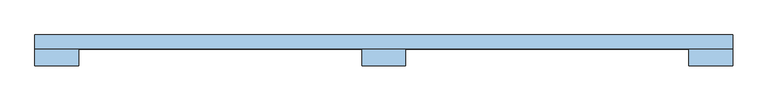
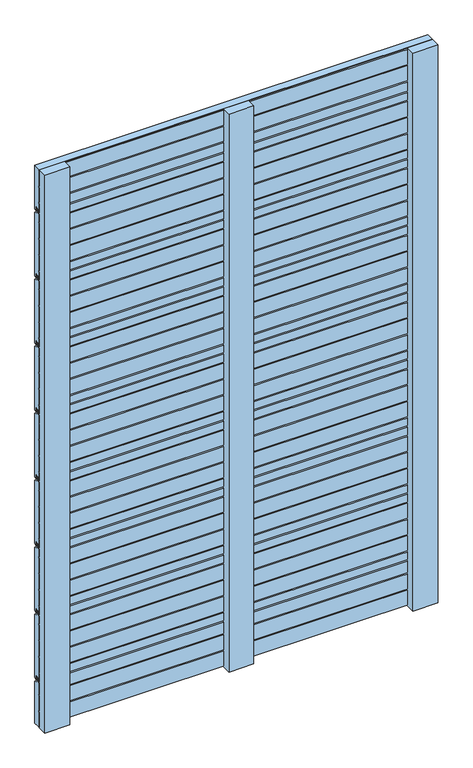
"""IFC4 building model written with IfcOpenShell, lengths in millimetres: window geometry."""

import ifcopenshell
import ifcopenshell.guid

model = None  # the IFC model being written
_history = None  # IfcOwnerHistory: only IFC2X3 demands one
_inside = {}  # id of a spatial element -> (the spatial element, [elements in it])
_under = {}  # id of a project, library or spatial element -> (it, [spatial elements below it])
_declared = {}  # id of a project -> (the project, [libraries it declares])
_typed = {}  # id of a type object -> (the type object, [elements of that type])
_made_of = {}  # id of a material, layer set ... -> (it, [elements and type objects made of it])


def new_model(schema):
    """Start an empty IFC model of exactly this schema.

    Asked for "IFC4X3", IfcOpenShell would pick the latest addendum, in which some entities
    have other attributes; the version numbers below select the first issue.
    IFC2X3 requires an IfcOwnerHistory on every rooted entity: one is made here for all.
    """
    global model, _history
    if schema == "IFC4X3":
        model = ifcopenshell.file(schema_version=(4, 3, 0, 0))
    else:
        model = ifcopenshell.file(schema=schema)
    _inside.clear()
    _under.clear()
    _declared.clear()
    _typed.clear()
    _made_of.clear()
    _history = None
    if model.schema == "IFC2X3":
        org = make("IfcOrganization", Name="unknown")
        user = make(
            "IfcPersonAndOrganization",
            ThePerson=make("IfcPerson", FamilyName="unknown"),
            TheOrganization=org,
        )
        app = make(
            "IfcApplication",
            ApplicationDeveloper=org,
            Version="unknown",
            ApplicationFullName="unknown",
            ApplicationIdentifier="unknown",
        )
        _history = make(
            "IfcOwnerHistory",
            OwningUser=user,
            OwningApplication=app,
            ChangeAction="ADDED",
            CreationDate=0,
        )
    return model


def make(cls, **values):
    """One entity of the class cls with the attributes given. An attribute that is None is left unset."""
    return model.create_entity(
        cls, **{name: value for name, value in values.items() if value is not None}
    )


def rooted(cls, **values):
    """An entity with a GlobalId (a new one), such as an element, a storey or a relation."""
    return make(cls, GlobalId=ifcopenshell.guid.new(), OwnerHistory=_history, **values)


def si_unit(unit_type, name, prefix=None):
    """IfcSIUnit, for example si_unit("LENGTHUNIT", "METRE", prefix="MILLI")."""
    return make("IfcSIUnit", UnitType=unit_type, Prefix=prefix, Name=name)


def assignment(units):
    """IfcUnitAssignment: the units of a project."""
    return None if units is None else make("IfcUnitAssignment", Units=units)


def point(xyz):
    """IfcCartesianPoint."""
    return None if xyz is None else make("IfcCartesianPoint", Coordinates=xyz)


def direction(xyz):
    """IfcDirection."""
    return None if xyz is None else make("IfcDirection", DirectionRatios=xyz)


def frame(location, z_axis=None, x_axis=None):
    """IfcAxis2Placement3D, a coordinate frame: its origin and axes. An axis left out is left unset."""
    return make(
        "IfcAxis2Placement3D",
        Location=point(location),
        Axis=direction(z_axis),
        RefDirection=direction(x_axis),
    )


def origin():
    """The frame at (0, 0, 0) with its axes left unset."""
    return frame((0.0, 0.0, 0.0))


def place(relative_to, where):
    """IfcLocalPlacement: puts the frame where relative to a parent placement (None: the world)."""
    return make(
        "IfcLocalPlacement", PlacementRelTo=relative_to, RelativePlacement=where
    )


def context(
    kind, dimensions, precision=None, world=None, true_north=None, identifier=None
):
    """IfcGeometricRepresentationContext, for example the 3D "Model" context."""
    return make(
        "IfcGeometricRepresentationContext",
        ContextIdentifier=identifier,
        ContextType=kind,
        CoordinateSpaceDimension=dimensions,
        Precision=precision,
        WorldCoordinateSystem=world,
        TrueNorth=true_north,
    )


def project(units=None, contexts=None):
    """IfcProject with its units and contexts."""
    return rooted(
        "IfcProject",
        Name="project",
        RepresentationContexts=contexts,
        UnitsInContext=assignment(units),
    )


def spatial(cls, under=None, at=None, **own):
    """A site, building, storey or space (cls), placed at a placement, below another one or the project."""
    s = rooted(cls, ObjectPlacement=at, **own)
    if under is not None:
        _under.setdefault(under.id(), (under, []))[1].append(s)
    return s


def polyline(points):
    """IfcPolyline through the points."""
    return make("IfcPolyline", Points=[point(p) for p in points])


def outline(outer, holes=None, kind="AREA"):
    """IfcArbitraryClosedProfileDef: a profile drawn as a closed curve; with holes, ...WithVoids."""
    if holes is None:
        return make("IfcArbitraryClosedProfileDef", ProfileType=kind, OuterCurve=outer)
    return make(
        "IfcArbitraryProfileDefWithVoids",
        ProfileType=kind,
        OuterCurve=outer,
        InnerCurves=holes,
    )


def extrude(swept, where, along, depth):
    """IfcExtrudedAreaSolid: the profile swept, set in the frame where, extruded along a direction by depth."""
    return make(
        "IfcExtrudedAreaSolid",
        SweptArea=swept,
        Position=where,
        ExtrudedDirection=direction(along),
        Depth=depth,
    )


def shape(context_of_items, identifier, shape_type, items):
    """IfcShapeRepresentation: the items that make up one representation, for example the "Body"."""
    return make(
        "IfcShapeRepresentation",
        ContextOfItems=context_of_items,
        RepresentationIdentifier=identifier,
        RepresentationType=shape_type,
        Items=items,
    )


def source(mapping_origin, context_of_items, identifier, shape_type, items):
    """IfcRepresentationMap: a shape defined once, which mapped items show again and again."""
    return make(
        "IfcRepresentationMap",
        MappingOrigin=mapping_origin,
        MappedRepresentation=shape(context_of_items, identifier, shape_type, items),
    )


def transform(
    local_origin,
    x_axis=None,
    y_axis=None,
    z_axis=None,
    scale=None,
    scale2=None,
    scale3=None,
    uniform=True,
):
    """IfcCartesianTransformationOperator3D, or its non-uniform kind. x_axis, y_axis, z_axis: its Axis1, 2, 3."""
    if uniform:
        return make(
            "IfcCartesianTransformationOperator3D",
            Axis1=direction(x_axis),
            Axis2=direction(y_axis),
            LocalOrigin=point(local_origin),
            Scale=scale,
            Axis3=direction(z_axis),
        )
    return make(
        "IfcCartesianTransformationOperator3DnonUniform",
        Axis1=direction(x_axis),
        Axis2=direction(y_axis),
        LocalOrigin=point(local_origin),
        Scale=scale,
        Axis3=direction(z_axis),
        Scale2=scale2,
        Scale3=scale3,
    )


def mapped(mapping_source, mapping_target):
    """IfcMappedItem: shows the shape of a source again, moved by a transform."""
    return make(
        "IfcMappedItem", MappingSource=mapping_source, MappingTarget=mapping_target
    )


def made_of(thing, what):
    """Note that an element or type object is made of a material, layer set ...; save() writes the relation."""
    if what is not None:
        _made_of.setdefault(what.id(), (what, []))[1].append(thing)
    return thing


def element(
    cls,
    number,
    at=None,
    inside=None,
    cuts=None,
    type_object=None,
    material=None,
    context=None,
    identifier="Body",
    shape_type=None,
    held_by="IfcProductDefinitionShape",
    body=None,
    shapes=None,
    **own,
):
    """One element of the class cls, such as IfcWall. Its Tag is "e" and its number.

    at: its placement. inside: the storey or other place that contains it. cuts: it is an
    opening in that element (IfcRelVoidsElement). A single representation is given by context,
    identifier, shape_type and body (its items); several are given by shapes. held_by: the class
    of the entity that holds the representations. save() writes the other relations.
    """
    e = rooted(cls, Tag="e%d" % number, ObjectPlacement=at, **own)
    if body is not None:
        shapes = [shape(context, identifier, shape_type, body)]
    if shapes is not None:
        e.Representation = make(held_by, Representations=shapes)
    if inside is not None:
        _inside.setdefault(inside.id(), (inside, []))[1].append(e)
    if cuts is not None:
        rooted(
            "IfcRelVoidsElement", RelatingBuildingElement=cuts, RelatedOpeningElement=e
        )
    if type_object is not None:
        _typed.setdefault(type_object.id(), (type_object, []))[1].append(e)
    return made_of(e, material)


def aggregate(whole, parts):
    """IfcRelAggregates: a whole, such as a stair, and the parts it consists of."""
    return rooted("IfcRelAggregates", RelatingObject=whole, RelatedObjects=parts)


def save(model, path):
    """Write the relations noted so far, then the file.

    IfcRelAggregates (storeys below a building ...), IfcRelContainedInSpatialStructure (elements
    in a storey), IfcRelDefinesByType, IfcRelAssociatesMaterial and IfcRelDeclares: one each for
    every whole, place, type object, material and project.
    """
    for whole, parts in _under.values():
        aggregate(whole, parts)
    for where, things in _inside.values():
        rooted(
            "IfcRelContainedInSpatialStructure",
            RelatedElements=things,
            RelatingStructure=where,
        )
    for kind, things in _typed.values():
        rooted("IfcRelDefinesByType", RelatedObjects=things, RelatingType=kind)
    for what, things in _made_of.values():
        rooted("IfcRelAssociatesMaterial", RelatedObjects=things, RelatingMaterial=what)
    for by, libraries in _declared.values():
        rooted("IfcRelDeclares", RelatingContext=by, RelatedDefinitions=libraries)
    model.write(path)


def window_7fcd174d(model_context):
    return source(origin(), model_context, "Body", "SweptSolid", [
        extrude(outline(polyline([(50.0, 223.0), (47.0, 220.0), (43.0, 220.0), (43.0, 232.0), (37.0, 232.0), (37.0, 224.0), (30.0, 224.0), (30.0, 244.6889298), (36.0, 244.6889298), (36.0, 248.1889298), (30.0, 248.1889298), (30.0, 288.25), (36.0, 288.25), (36.0, 291.75), (30.0, 291.75), (30.0, 331.8110702), (36.0, 331.8110702), (36.0, 335.3110702), (30.0, 335.3110702), (30.0, 375.3721403), (36.0, 375.3721403), (36.0, 378.8721403), (30.0, 378.8721403), (30.0, 400.0), (37.0, 400.0), (37.0, 410.0), (43.0, 410.0), (43.0, 396.0), (47.0, 396.0), (50.0, 393.0), (50.0, 223.0)])), frame((-500.0, 0.0, 0.0), z_axis=(1.0, 0.0, 0.0), x_axis=(0.0, 1.0, 0.0)), (0.0, 0.0, 1.0), 1000.0),
        extrude(outline(polyline([(50.0, 403.0), (47.0, 400.0), (43.0, 400.0), (43.0, 412.0), (37.0, 412.0), (37.0, 404.0), (30.0, 404.0), (30.0, 424.6889298), (36.0, 424.6889298), (36.0, 428.1889298), (30.0, 428.1889298), (30.0, 468.25), (36.0, 468.25), (36.0, 471.75), (30.0, 471.75), (30.0, 511.8110702), (36.0, 511.8110702), (36.0, 515.3110702), (30.0, 515.3110702), (30.0, 555.3721403), (36.0, 555.3721403), (36.0, 558.8721403), (30.0, 558.8721403), (30.0, 580.0), (37.0, 580.0), (37.0, 590.0), (43.0, 590.0), (43.0, 576.0), (47.0, 576.0), (50.0, 573.0), (50.0, 403.0)])), frame((-500.0, 0.0, 0.0), z_axis=(1.0, 0.0, 0.0), x_axis=(0.0, 1.0, 0.0)), (0.0, 0.0, 1.0), 1000.0),
        extrude(outline(polyline([(50.0, 583.0), (47.0, 580.0), (43.0, 580.0), (43.0, 592.0), (37.0, 592.0), (37.0, 584.0), (30.0, 584.0), (30.0, 604.6889298), (36.0, 604.6889298), (36.0, 608.1889298), (30.0, 608.1889298), (30.0, 648.25), (36.0, 648.25), (36.0, 651.75), (30.0, 651.75), (30.0, 691.8110702), (36.0, 691.8110702), (36.0, 695.3110702), (30.0, 695.3110702), (30.0, 735.3721403), (36.0, 735.3721403), (36.0, 738.8721403), (30.0, 738.8721403), (30.0, 760.0), (37.0, 760.0), (37.0, 770.0), (43.0, 770.0), (43.0, 756.0), (47.0, 756.0), (50.0, 753.0), (50.0, 583.0)])), frame((-500.0, 0.0, 0.0), z_axis=(1.0, 0.0, 0.0), x_axis=(0.0, 1.0, 0.0)), (0.0, 0.0, 1.0), 1000.0),
        extrude(outline(polyline([(50.0, 763.0), (47.0, 760.0), (43.0, 760.0), (43.0, 772.0), (37.0, 772.0), (37.0, 764.0), (30.0, 764.0), (30.0, 784.6889298), (36.0, 784.6889298), (36.0, 788.1889298), (30.0, 788.1889298), (30.0, 828.25), (36.0, 828.25), (36.0, 831.75), (30.0, 831.75), (30.0, 871.8110702), (36.0, 871.8110702), (36.0, 875.3110702), (30.0, 875.3110702), (30.0, 915.3721403), (36.0, 915.3721403), (36.0, 918.8721403), (30.0, 918.8721403), (30.0, 940.0), (37.0, 940.0), (37.0, 950.0), (43.0, 950.0), (43.0, 936.0), (47.0, 936.0), (50.0, 933.0), (50.0, 763.0)])), frame((-500.0, 0.0, 0.0), z_axis=(1.0, 0.0, 0.0), x_axis=(0.0, 1.0, 0.0)), (0.0, 0.0, 1.0), 1000.0),
        extrude(outline(polyline([(50.0, 943.0), (47.0, 940.0), (43.0, 940.0), (43.0, 952.0), (37.0, 952.0), (37.0, 944.0), (30.0, 944.0), (30.0, 964.6889298), (36.0, 964.6889298), (36.0, 968.1889298), (30.0, 968.1889298), (30.0, 1008.25), (36.0, 1008.25), (36.0, 1011.75), (30.0, 1011.75), (30.0, 1051.8110702), (36.0, 1051.8110702), (36.0, 1055.3110702), (30.0, 1055.3110702), (30.0, 1095.3721403), (36.0, 1095.3721403), (36.0, 1098.8721403), (30.0, 1098.8721403), (30.0, 1120.0), (37.0, 1120.0), (37.0, 1130.0), (43.0, 1130.0), (43.0, 1116.0), (47.0, 1116.0), (50.0, 1113.0), (50.0, 943.0)])), frame((-500.0, 0.0, 0.0), z_axis=(1.0, 0.0, 0.0), x_axis=(0.0, 1.0, 0.0)), (0.0, 0.0, 1.0), 1000.0),
        extrude(outline(polyline([(50.0, 1123.0), (47.0, 1120.0), (43.0, 1120.0), (43.0, 1132.0), (37.0, 1132.0), (37.0, 1124.0), (30.0, 1124.0), (30.0, 1144.6889298), (36.0, 1144.6889298), (36.0, 1148.1889298), (30.0, 1148.1889298), (30.0, 1188.25), (36.0, 1188.25), (36.0, 1191.75), (30.0, 1191.75), (30.0, 1231.8110702), (36.0, 1231.8110702), (36.0, 1235.3110702), (30.0, 1235.3110702), (30.0, 1275.3721403), (36.0, 1275.3721403), (36.0, 1278.8721403), (30.0, 1278.8721403), (30.0, 1300.0), (37.0, 1300.0), (37.0, 1310.0), (43.0, 1310.0), (43.0, 1296.0), (47.0, 1296.0), (50.0, 1293.0), (50.0, 1123.0)])), frame((-500.0, 0.0, 0.0), z_axis=(1.0, 0.0, 0.0), x_axis=(0.0, 1.0, 0.0)), (0.0, 0.0, 1.0), 1000.0),
        extrude(outline(polyline([(50.0, 1303.0), (47.0, 1300.0), (43.0, 1300.0), (43.0, 1312.0), (37.0, 1312.0), (37.0, 1304.0), (30.0, 1304.0), (30.0, 1324.6889298), (36.0, 1324.6889298), (36.0, 1328.1889298), (30.0, 1328.1889298), (30.0, 1368.25), (36.0, 1368.25), (36.0, 1371.75), (30.0, 1371.75), (30.0, 1411.8110702), (36.0, 1411.8110702), (36.0, 1415.3110702), (30.0, 1415.3110702), (30.0, 1455.3721403), (36.0, 1455.3721403), (36.0, 1458.8721403), (30.0, 1458.8721403), (30.0, 1480.0), (37.0, 1480.0), (37.0, 1490.0), (43.0, 1490.0), (43.0, 1476.0), (47.0, 1476.0), (50.0, 1473.0), (50.0, 1303.0)])), frame((-500.0, 0.0, 0.0), z_axis=(1.0, 0.0, 0.0), x_axis=(0.0, 1.0, 0.0)), (0.0, 0.0, 1.0), 1000.0),
        extrude(outline(polyline([(50.0, 100.0), (36.0, 100.0), (36.0, 101.75), (30.0, 101.75), (30.0, 141.8110702), (36.0, 141.8110702), (36.0, 145.3110702), (30.0, 145.3110702), (30.0, 185.3721403), (36.0, 185.3721403), (36.0, 188.8721403), (30.0, 188.8721403), (30.0, 220.0), (37.0, 220.0), (37.0, 230.0), (43.0, 230.0), (43.0, 216.0), (47.0, 216.0), (50.0, 213.0), (50.0, 100.0)])), frame((-500.0, 0.0, 0.0), z_axis=(1.0, 0.0, 0.0), x_axis=(0.0, 1.0, 0.0)), (0.0, 0.0, 1.0), 1000.0),
        extrude(outline(polyline([(50.0, 1483.0), (47.0, 1480.0), (43.0, 1480.0), (43.0, 1492.0), (37.0, 1492.0), (37.0, 1484.0), (30.0, 1484.0), (30.0, 1508.25), (36.0, 1508.25), (36.0, 1511.75), (30.0, 1511.75), (30.0, 1551.8110702), (36.0, 1551.8110702), (36.0, 1555.3110702), (30.0, 1555.3110702), (30.0, 1595.3721403), (36.0, 1595.3721403), (36.0, 1598.8721403), (30.0, 1598.8721403), (30.0, 1600.0), (50.0, 1600.0), (50.0, 1483.0)])), frame((-500.0, 0.0, 0.0), z_axis=(1.0, 0.0, 0.0), x_axis=(0.0, 1.0, 0.0)), (0.0, 0.0, 1.0), 1000.0),
        extrude(outline(polyline([(-31.5, 30.1), (31.5, 30.1), (31.5, 6.1), (-31.5, 6.1), (-31.5, 30.1)])), frame((0.0, 0.0, 100.0), z_axis=(0.0, 0.0, 1.0), x_axis=(1.0, 0.0, 0.0)), (0.0, 0.0, 1.0), 1500.0),
        extrude(outline(polyline([(-500.0, 30.0), (-437.0, 30.0), (-437.0, 6.0), (-500.0, 6.0), (-500.0, 30.0)])), frame((0.0, 0.0, 100.0), z_axis=(0.0, 0.0, 1.0), x_axis=(1.0, 0.0, 0.0)), (0.0, 0.0, 1.0), 1500.0),
        extrude(outline(polyline([(437.0, 30.0), (500.0, 30.0), (500.0, 6.0), (437.0, 6.0), (437.0, 30.0)])), frame((0.0, 0.0, 100.0), z_axis=(0.0, 0.0, 1.0), x_axis=(1.0, 0.0, 0.0)), (0.0, 0.0, 1.0), 1500.0),
    ])


if __name__ == "__main__":
    model = new_model("IFC4")
    model_context = context("Model", 3, world=origin())
    ifc_project = project(units=[si_unit("LENGTHUNIT", "METRE", prefix="MILLI")], contexts=[model_context])
    site = spatial("IfcSite", under=ifc_project)
    building = spatial("IfcBuilding", under=site)
    placement = place(None, origin())
    window_shape = window_7fcd174d(model_context)
    element("IfcWindow", 1, at=placement, inside=building, context=model_context, shape_type="MappedRepresentation", body=[
        mapped(window_shape, transform((0.0, 0.0, 0.0), x_axis=(1.0, 0.0, 0.0), y_axis=(0.0, 1.0, 0.0), z_axis=(0.0, 0.0, 1.0))),
    ])
    save(model, "model.ifc")
